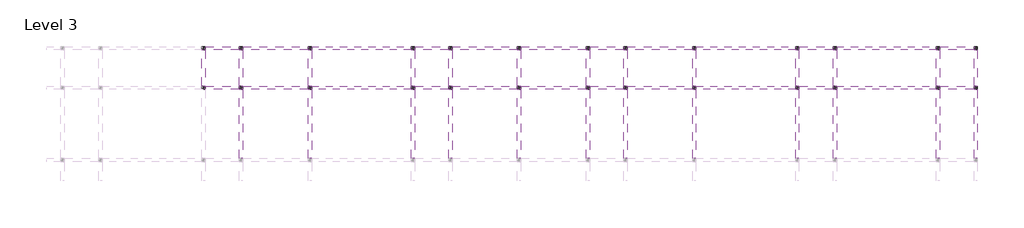
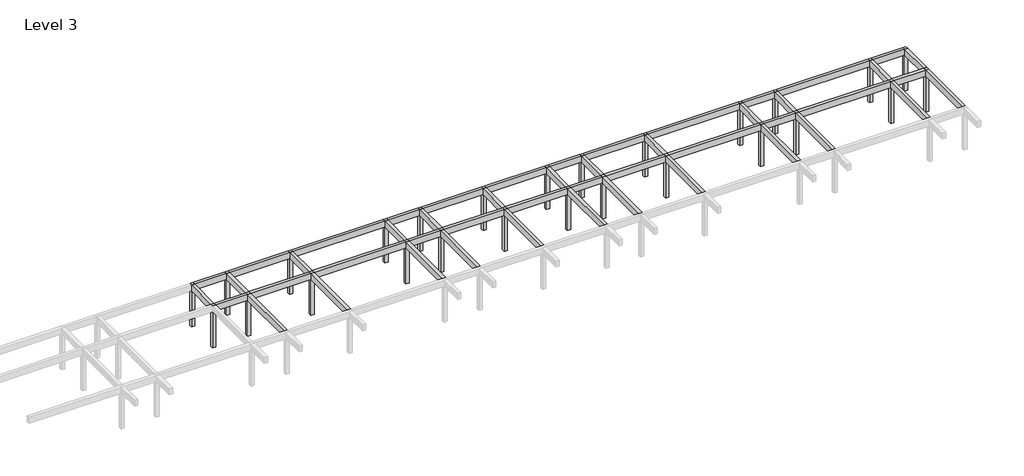
# One storey, part 3 of 3: 49 beams, 26 columns.
"""IFC4 building model written with IfcOpenShell, lengths in millimetres."""

import ifcopenshell
import ifcopenshell.guid

model = None  # the IFC model being written
_history = None  # IfcOwnerHistory: only IFC2X3 demands one
_inside = {}  # id of a spatial element -> (the spatial element, [elements in it])
_under = {}  # id of a project, library or spatial element -> (it, [spatial elements below it])
_declared = {}  # id of a project -> (the project, [libraries it declares])
_typed = {}  # id of a type object -> (the type object, [elements of that type])
_made_of = {}  # id of a material, layer set ... -> (it, [elements and type objects made of it])


def new_model(schema):
    """Start an empty IFC model of exactly this schema.

    Asked for "IFC4X3", IfcOpenShell would pick the latest addendum, in which some entities
    have other attributes; the version numbers below select the first issue.
    IFC2X3 requires an IfcOwnerHistory on every rooted entity: one is made here for all.
    """
    global model, _history
    if schema == "IFC4X3":
        model = ifcopenshell.file(schema_version=(4, 3, 0, 0))
    else:
        model = ifcopenshell.file(schema=schema)
    _inside.clear()
    _under.clear()
    _declared.clear()
    _typed.clear()
    _made_of.clear()
    _history = None
    if model.schema == "IFC2X3":
        org = make("IfcOrganization", Name="unknown")
        user = make(
            "IfcPersonAndOrganization",
            ThePerson=make("IfcPerson", FamilyName="unknown"),
            TheOrganization=org,
        )
        app = make(
            "IfcApplication",
            ApplicationDeveloper=org,
            Version="unknown",
            ApplicationFullName="unknown",
            ApplicationIdentifier="unknown",
        )
        _history = make(
            "IfcOwnerHistory",
            OwningUser=user,
            OwningApplication=app,
            ChangeAction="ADDED",
            CreationDate=0,
        )
    return model


def make(cls, **values):
    """One entity of the class cls with the attributes given. An attribute that is None is left unset."""
    return model.create_entity(
        cls, **{name: value for name, value in values.items() if value is not None}
    )


def rooted(cls, **values):
    """An entity with a GlobalId (a new one), such as an element, a storey or a relation."""
    return make(cls, GlobalId=ifcopenshell.guid.new(), OwnerHistory=_history, **values)


def si_unit(unit_type, name, prefix=None):
    """IfcSIUnit, for example si_unit("LENGTHUNIT", "METRE", prefix="MILLI")."""
    return make("IfcSIUnit", UnitType=unit_type, Prefix=prefix, Name=name)


def assignment(units):
    """IfcUnitAssignment: the units of a project."""
    return None if units is None else make("IfcUnitAssignment", Units=units)


def point(xyz):
    """IfcCartesianPoint."""
    return None if xyz is None else make("IfcCartesianPoint", Coordinates=xyz)


def direction(xyz):
    """IfcDirection."""
    return None if xyz is None else make("IfcDirection", DirectionRatios=xyz)


def frame(location, z_axis=None, x_axis=None):
    """IfcAxis2Placement3D, a coordinate frame: its origin and axes. An axis left out is left unset."""
    return make(
        "IfcAxis2Placement3D",
        Location=point(location),
        Axis=direction(z_axis),
        RefDirection=direction(x_axis),
    )


def origin():
    """The frame at (0, 0, 0) with its axes left unset."""
    return frame((0.0, 0.0, 0.0))


def place(relative_to, where):
    """IfcLocalPlacement: puts the frame where relative to a parent placement (None: the world)."""
    return make(
        "IfcLocalPlacement", PlacementRelTo=relative_to, RelativePlacement=where
    )


def context(
    kind, dimensions, precision=None, world=None, true_north=None, identifier=None
):
    """IfcGeometricRepresentationContext, for example the 3D "Model" context."""
    return make(
        "IfcGeometricRepresentationContext",
        ContextIdentifier=identifier,
        ContextType=kind,
        CoordinateSpaceDimension=dimensions,
        Precision=precision,
        WorldCoordinateSystem=world,
        TrueNorth=true_north,
    )


def project(units=None, contexts=None):
    """IfcProject with its units and contexts."""
    return rooted(
        "IfcProject",
        Name="project",
        RepresentationContexts=contexts,
        UnitsInContext=assignment(units),
    )


def spatial(cls, under=None, at=None, **own):
    """A site, building, storey or space (cls), placed at a placement, below another one or the project."""
    s = rooted(cls, ObjectPlacement=at, **own)
    if under is not None:
        _under.setdefault(under.id(), (under, []))[1].append(s)
    return s


def polyline(points):
    """IfcPolyline through the points."""
    return make("IfcPolyline", Points=[point(p) for p in points])


def outline(outer, holes=None, kind="AREA"):
    """IfcArbitraryClosedProfileDef: a profile drawn as a closed curve; with holes, ...WithVoids."""
    if holes is None:
        return make("IfcArbitraryClosedProfileDef", ProfileType=kind, OuterCurve=outer)
    return make(
        "IfcArbitraryProfileDefWithVoids",
        ProfileType=kind,
        OuterCurve=outer,
        InnerCurves=holes,
    )


def extrude(swept, where, along, depth):
    """IfcExtrudedAreaSolid: the profile swept, set in the frame where, extruded along a direction by depth."""
    return make(
        "IfcExtrudedAreaSolid",
        SweptArea=swept,
        Position=where,
        ExtrudedDirection=direction(along),
        Depth=depth,
    )


def shape(context_of_items, identifier, shape_type, items):
    """IfcShapeRepresentation: the items that make up one representation, for example the "Body"."""
    return make(
        "IfcShapeRepresentation",
        ContextOfItems=context_of_items,
        RepresentationIdentifier=identifier,
        RepresentationType=shape_type,
        Items=items,
    )


def made_of(thing, what):
    """Note that an element or type object is made of a material, layer set ...; save() writes the relation."""
    if what is not None:
        _made_of.setdefault(what.id(), (what, []))[1].append(thing)
    return thing


def element(
    cls,
    number,
    at=None,
    inside=None,
    cuts=None,
    type_object=None,
    material=None,
    context=None,
    identifier="Body",
    shape_type=None,
    held_by="IfcProductDefinitionShape",
    body=None,
    shapes=None,
    **own,
):
    """One element of the class cls, such as IfcWall. Its Tag is "e" and its number.

    at: its placement. inside: the storey or other place that contains it. cuts: it is an
    opening in that element (IfcRelVoidsElement). A single representation is given by context,
    identifier, shape_type and body (its items); several are given by shapes. held_by: the class
    of the entity that holds the representations. save() writes the other relations.
    """
    e = rooted(cls, Tag="e%d" % number, ObjectPlacement=at, **own)
    if body is not None:
        shapes = [shape(context, identifier, shape_type, body)]
    if shapes is not None:
        e.Representation = make(held_by, Representations=shapes)
    if inside is not None:
        _inside.setdefault(inside.id(), (inside, []))[1].append(e)
    if cuts is not None:
        rooted(
            "IfcRelVoidsElement", RelatingBuildingElement=cuts, RelatedOpeningElement=e
        )
    if type_object is not None:
        _typed.setdefault(type_object.id(), (type_object, []))[1].append(e)
    return made_of(e, material)


def aggregate(whole, parts):
    """IfcRelAggregates: a whole, such as a stair, and the parts it consists of."""
    return rooted("IfcRelAggregates", RelatingObject=whole, RelatedObjects=parts)


def save(model, path):
    """Write the relations noted so far, then the file.

    IfcRelAggregates (storeys below a building ...), IfcRelContainedInSpatialStructure (elements
    in a storey), IfcRelDefinesByType, IfcRelAssociatesMaterial and IfcRelDeclares: one each for
    every whole, place, type object, material and project.
    """
    for whole, parts in _under.values():
        aggregate(whole, parts)
    for where, things in _inside.values():
        rooted(
            "IfcRelContainedInSpatialStructure",
            RelatedElements=things,
            RelatingStructure=where,
        )
    for kind, things in _typed.values():
        rooted("IfcRelDefinesByType", RelatedObjects=things, RelatingType=kind)
    for what, things in _made_of.values():
        rooted("IfcRelAssociatesMaterial", RelatedObjects=things, RelatingMaterial=what)
    for by, libraries in _declared.values():
        rooted("IfcRelDeclares", RelatingContext=by, RelatedDefinitions=libraries)
    model.write(path)


model = new_model("IFC4")

# Units and contexts
model_context = context("Model", 3, world=origin())
ifc_project = project(units=[si_unit("LENGTHUNIT", "METRE", prefix="MILLI")], contexts=[model_context])

# Site, building, storey
site = spatial("IfcSite", under=ifc_project)
building = spatial("IfcBuilding", under=site)
storey = spatial("IfcBuildingStorey", under=building, Name="Level 3", Elevation=8400.0)

# Beams
placement = place(None, origin())
element("IfcBeam", 1, ObjectType="M_Concrete-Rectangular Beam : 300 x 600mm", at=placement, inside=storey, context=model_context, shape_type="SweptSolid", body=[
    extrude(outline(polyline([(4295.953533, 9324.2507663), (4595.953533, 9324.2507663), (4595.953533, 6174.2507663), (4295.953533, 6174.2507663), (4295.953533, 9324.2507663)])), frame((0.0, 0.0, 12000.0), z_axis=(0.0, 0.0, 1.0), x_axis=(1.0, 0.0, 0.0)), (0.0, 0.0, 1.0), 600.0),
])
element("IfcBeam", 2, ObjectType="M_Concrete-Rectangular Beam : 300 x 600mm", at=placement, inside=storey, context=model_context, shape_type="SweptSolid", body=[
    extrude(outline(polyline([(7595.953533, 5874.2507663), (7895.953533, 5874.2507663), (7895.953533, -125.7492337), (7595.953533, -125.7492337), (7595.953533, 5874.2507663)])), frame((0.0, 0.0, 12000.0), z_axis=(0.0, 0.0, 1.0), x_axis=(1.0, 0.0, 0.0)), (0.0, 0.0, 1.0), 600.0),
])
element("IfcBeam", 3, ObjectType="M_Concrete-Rectangular Beam : 300 x 600mm", at=placement, inside=storey, context=model_context, shape_type="SweptSolid", body=[
    extrude(outline(polyline([(7595.953533, 9324.2507663), (7895.953533, 9324.2507663), (7895.953533, 6174.2507663), (7595.953533, 6174.2507663), (7595.953533, 9324.2507663)])), frame((0.0, 0.0, 12000.0), z_axis=(0.0, 0.0, 1.0), x_axis=(1.0, 0.0, 0.0)), (0.0, 0.0, 1.0), 600.0),
])
element("IfcBeam", 4, ObjectType="M_Concrete-Rectangular Beam : 300 x 600mm", at=placement, inside=storey, context=model_context, shape_type="SweptSolid", body=[
    extrude(outline(polyline([(13595.953533, 5874.2507663), (13895.953533, 5874.2507663), (13895.953533, -125.7492337), (13595.953533, -125.7492337), (13595.953533, 5874.2507663)])), frame((0.0, 0.0, 12000.0), z_axis=(0.0, 0.0, 1.0), x_axis=(1.0, 0.0, 0.0)), (0.0, 0.0, 1.0), 600.0),
])
element("IfcBeam", 5, ObjectType="M_Concrete-Rectangular Beam : 300 x 600mm", at=placement, inside=storey, context=model_context, shape_type="SweptSolid", body=[
    extrude(outline(polyline([(13595.953533, 9324.2507663), (13895.953533, 9324.2507663), (13895.953533, 6174.2507663), (13595.953533, 6174.2507663), (13595.953533, 9324.2507663)])), frame((0.0, 0.0, 12000.0), z_axis=(0.0, 0.0, 1.0), x_axis=(1.0, 0.0, 0.0)), (0.0, 0.0, 1.0), 600.0),
])
element("IfcBeam", 6, ObjectType="M_Concrete-Rectangular Beam : 300 x 600mm", at=placement, inside=storey, context=model_context, shape_type="SweptSolid", body=[
    extrude(outline(polyline([(25895.953533, 5874.2507663), (26195.953533, 5874.2507663), (26195.953533, -125.7492337), (25895.953533, -125.7492337), (25895.953533, 5874.2507663)])), frame((0.0, 0.0, 12000.0), z_axis=(0.0, 0.0, 1.0), x_axis=(1.0, 0.0, 0.0)), (0.0, 0.0, 1.0), 600.0),
])
element("IfcBeam", 7, ObjectType="M_Concrete-Rectangular Beam : 300 x 600mm", at=placement, inside=storey, context=model_context, shape_type="SweptSolid", body=[
    extrude(outline(polyline([(25895.953533, 9324.2507663), (26195.953533, 9324.2507663), (26195.953533, 6174.2507663), (25895.953533, 6174.2507663), (25895.953533, 9324.2507663)])), frame((0.0, 0.0, 12000.0), z_axis=(0.0, 0.0, 1.0), x_axis=(1.0, 0.0, 0.0)), (0.0, 0.0, 1.0), 600.0),
])
element("IfcBeam", 8, ObjectType="M_Concrete-Rectangular Beam : 300 x 600mm", at=placement, inside=storey, context=model_context, shape_type="SweptSolid", body=[
    extrude(outline(polyline([(22595.953533, 5874.2507663), (22895.953533, 5874.2507663), (22895.953533, -125.7492337), (22595.953533, -125.7492337), (22595.953533, 5874.2507663)])), frame((0.0, 0.0, 12000.0), z_axis=(0.0, 0.0, 1.0), x_axis=(1.0, 0.0, 0.0)), (0.0, 0.0, 1.0), 600.0),
])
element("IfcBeam", 9, ObjectType="M_Concrete-Rectangular Beam : 300 x 600mm", at=placement, inside=storey, context=model_context, shape_type="SweptSolid", body=[
    extrude(outline(polyline([(22595.953533, 9324.2507663), (22895.953533, 9324.2507663), (22895.953533, 6174.2507663), (22595.953533, 6174.2507663), (22595.953533, 9324.2507663)])), frame((0.0, 0.0, 12000.0), z_axis=(0.0, 0.0, 1.0), x_axis=(1.0, 0.0, 0.0)), (0.0, 0.0, 1.0), 600.0),
])
element("IfcBeam", 10, ObjectType="M_Concrete-Rectangular Beam : 300 x 600mm", at=placement, inside=storey, context=model_context, shape_type="SweptSolid", body=[
    extrude(outline(polyline([(31895.953533, 5874.2507663), (32195.953533, 5874.2507663), (32195.953533, -125.7492337), (31895.953533, -125.7492337), (31895.953533, 5874.2507663)])), frame((0.0, 0.0, 12000.0), z_axis=(0.0, 0.0, 1.0), x_axis=(1.0, 0.0, 0.0)), (0.0, 0.0, 1.0), 600.0),
])
element("IfcBeam", 11, ObjectType="M_Concrete-Rectangular Beam : 300 x 600mm", at=placement, inside=storey, context=model_context, shape_type="SweptSolid", body=[
    extrude(outline(polyline([(31895.953533, 9324.2507663), (32195.953533, 9324.2507663), (32195.953533, 6174.2507663), (31895.953533, 6174.2507663), (31895.953533, 9324.2507663)])), frame((0.0, 0.0, 12000.0), z_axis=(0.0, 0.0, 1.0), x_axis=(1.0, 0.0, 0.0)), (0.0, 0.0, 1.0), 600.0),
])
element("IfcBeam", 12, ObjectType="M_Concrete-Rectangular Beam : 300 x 600mm", at=placement, inside=storey, context=model_context, shape_type="SweptSolid", body=[
    extrude(outline(polyline([(37895.953533, 5874.2507663), (38195.953533, 5874.2507663), (38195.953533, -125.7492337), (37895.953533, -125.7492337), (37895.953533, 5874.2507663)])), frame((0.0, 0.0, 12000.0), z_axis=(0.0, 0.0, 1.0), x_axis=(1.0, 0.0, 0.0)), (0.0, 0.0, 1.0), 600.0),
])
element("IfcBeam", 13, ObjectType="M_Concrete-Rectangular Beam : 300 x 600mm", at=placement, inside=storey, context=model_context, shape_type="SweptSolid", body=[
    extrude(outline(polyline([(37895.953533, 9324.2507663), (38195.953533, 9324.2507663), (38195.953533, 6174.2507663), (37895.953533, 6174.2507663), (37895.953533, 9324.2507663)])), frame((0.0, 0.0, 12000.0), z_axis=(0.0, 0.0, 1.0), x_axis=(1.0, 0.0, 0.0)), (0.0, 0.0, 1.0), 600.0),
])
element("IfcBeam", 14, ObjectType="M_Concrete-Rectangular Beam : 300 x 600mm", at=placement, inside=storey, context=model_context, shape_type="SweptSolid", body=[
    extrude(outline(polyline([(41195.953533, 5874.2507663), (41495.953533, 5874.2507663), (41495.953533, -125.7492337), (41195.953533, -125.7492337), (41195.953533, 5874.2507663)])), frame((0.0, 0.0, 12000.0), z_axis=(0.0, 0.0, 1.0), x_axis=(1.0, 0.0, 0.0)), (0.0, 0.0, 1.0), 600.0),
])
element("IfcBeam", 15, ObjectType="M_Concrete-Rectangular Beam : 300 x 600mm", at=placement, inside=storey, context=model_context, shape_type="SweptSolid", body=[
    extrude(outline(polyline([(41195.953533, 9324.2507663), (41495.953533, 9324.2507663), (41495.953533, 6174.2507663), (41195.953533, 6174.2507663), (41195.953533, 9324.2507663)])), frame((0.0, 0.0, 12000.0), z_axis=(0.0, 0.0, 1.0), x_axis=(1.0, 0.0, 0.0)), (0.0, 0.0, 1.0), 600.0),
])
element("IfcBeam", 16, ObjectType="M_Concrete-Rectangular Beam : 300 x 600mm", at=placement, inside=storey, context=model_context, shape_type="SweptSolid", body=[
    extrude(outline(polyline([(47195.953533, 5874.2507663), (47495.953533, 5874.2507663), (47495.953533, -125.7492337), (47195.953533, -125.7492337), (47195.953533, 5874.2507663)])), frame((0.0, 0.0, 12000.0), z_axis=(0.0, 0.0, 1.0), x_axis=(1.0, 0.0, 0.0)), (0.0, 0.0, 1.0), 600.0),
])
element("IfcBeam", 17, ObjectType="M_Concrete-Rectangular Beam : 300 x 600mm", at=placement, inside=storey, context=model_context, shape_type="SweptSolid", body=[
    extrude(outline(polyline([(47195.953533, 9324.2507663), (47495.953533, 9324.2507663), (47495.953533, 6174.2507663), (47195.953533, 6174.2507663), (47195.953533, 9324.2507663)])), frame((0.0, 0.0, 12000.0), z_axis=(0.0, 0.0, 1.0), x_axis=(1.0, 0.0, 0.0)), (0.0, 0.0, 1.0), 600.0),
])
element("IfcBeam", 18, ObjectType="M_Concrete-Rectangular Beam : 300 x 600mm", at=placement, inside=storey, context=model_context, shape_type="SweptSolid", body=[
    extrude(outline(polyline([(56195.953533, 5874.2507663), (56495.953533, 5874.2507663), (56495.953533, -125.7492337), (56195.953533, -125.7492337), (56195.953533, 5874.2507663)])), frame((0.0, 0.0, 12000.0), z_axis=(0.0, 0.0, 1.0), x_axis=(1.0, 0.0, 0.0)), (0.0, 0.0, 1.0), 600.0),
])
element("IfcBeam", 19, ObjectType="M_Concrete-Rectangular Beam : 300 x 600mm", at=placement, inside=storey, context=model_context, shape_type="SweptSolid", body=[
    extrude(outline(polyline([(56195.953533, 9324.2507663), (56495.953533, 9324.2507663), (56495.953533, 6174.2507663), (56195.953533, 6174.2507663), (56195.953533, 9324.2507663)])), frame((0.0, 0.0, 12000.0), z_axis=(0.0, 0.0, 1.0), x_axis=(1.0, 0.0, 0.0)), (0.0, 0.0, 1.0), 600.0),
])
element("IfcBeam", 20, ObjectType="M_Concrete-Rectangular Beam : 300 x 600mm", at=placement, inside=storey, context=model_context, shape_type="SweptSolid", body=[
    extrude(outline(polyline([(59495.953533, 5874.2507663), (59795.953533, 5874.2507663), (59795.953533, -125.7492337), (59495.953533, -125.7492337), (59495.953533, 5874.2507663)])), frame((0.0, 0.0, 12000.0), z_axis=(0.0, 0.0, 1.0), x_axis=(1.0, 0.0, 0.0)), (0.0, 0.0, 1.0), 600.0),
])
element("IfcBeam", 21, ObjectType="M_Concrete-Rectangular Beam : 300 x 600mm", at=placement, inside=storey, context=model_context, shape_type="SweptSolid", body=[
    extrude(outline(polyline([(59495.953533, 9324.2507663), (59795.953533, 9324.2507663), (59795.953533, 6174.2507663), (59495.953533, 6174.2507663), (59495.953533, 9324.2507663)])), frame((0.0, 0.0, 12000.0), z_axis=(0.0, 0.0, 1.0), x_axis=(1.0, 0.0, 0.0)), (0.0, 0.0, 1.0), 600.0),
])
element("IfcBeam", 22, ObjectType="M_Concrete-Rectangular Beam : 300 x 600mm", at=placement, inside=storey, context=model_context, shape_type="SweptSolid", body=[
    extrude(outline(polyline([(68495.953533, 5874.2507663), (68795.953533, 5874.2507663), (68795.953533, -125.7492337), (68495.953533, -125.7492337), (68495.953533, 5874.2507663)])), frame((0.0, 0.0, 12000.0), z_axis=(0.0, 0.0, 1.0), x_axis=(1.0, 0.0, 0.0)), (0.0, 0.0, 1.0), 600.0),
])
element("IfcBeam", 23, ObjectType="M_Concrete-Rectangular Beam : 300 x 600mm", at=placement, inside=storey, context=model_context, shape_type="SweptSolid", body=[
    extrude(outline(polyline([(68495.953533, 9324.2507663), (68795.953533, 9324.2507663), (68795.953533, 6174.2507663), (68495.953533, 6174.2507663), (68495.953533, 9324.2507663)])), frame((0.0, 0.0, 12000.0), z_axis=(0.0, 0.0, 1.0), x_axis=(1.0, 0.0, 0.0)), (0.0, 0.0, 1.0), 600.0),
])
element("IfcBeam", 24, ObjectType="M_Concrete-Rectangular Beam : 300 x 600mm", at=placement, inside=storey, context=model_context, shape_type="SweptSolid", body=[
    extrude(outline(polyline([(71795.953533, 5874.2507663), (72095.953533, 5874.2507663), (72095.953533, -125.7492337), (71795.953533, -125.7492337), (71795.953533, 5874.2507663)])), frame((0.0, 0.0, 12000.0), z_axis=(0.0, 0.0, 1.0), x_axis=(1.0, 0.0, 0.0)), (0.0, 0.0, 1.0), 600.0),
])
element("IfcBeam", 25, ObjectType="M_Concrete-Rectangular Beam : 300 x 600mm", at=placement, inside=storey, context=model_context, shape_type="SweptSolid", body=[
    extrude(outline(polyline([(71795.953533, 9324.2507663), (72095.953533, 9324.2507663), (72095.953533, 6174.2507663), (71795.953533, 6174.2507663), (71795.953533, 9324.2507663)])), frame((0.0, 0.0, 12000.0), z_axis=(0.0, 0.0, 1.0), x_axis=(1.0, 0.0, 0.0)), (0.0, 0.0, 1.0), 600.0),
])
element("IfcBeam", 26, ObjectType="M_Concrete-Rectangular Beam : 300 x 600mm", at=placement, inside=storey, context=model_context, shape_type="SweptSolid", body=[
    extrude(outline(polyline([(4595.953533, 9324.2507663), (4595.953533, 9624.2507663), (7595.953533, 9624.2507663), (7595.953533, 9324.2507663), (4595.953533, 9324.2507663)])), frame((0.0, 0.0, 12000.0), z_axis=(0.0, 0.0, 1.0), x_axis=(1.0, 0.0, 0.0)), (0.0, 0.0, 1.0), 600.0),
])
element("IfcBeam", 27, ObjectType="M_Concrete-Rectangular Beam : 300 x 600mm", at=placement, inside=storey, context=model_context, shape_type="SweptSolid", body=[
    extrude(outline(polyline([(7895.953533, 9324.2507663), (7895.953533, 9624.2507663), (13595.953533, 9624.2507663), (13595.953533, 9324.2507663), (7895.953533, 9324.2507663)])), frame((0.0, 0.0, 12000.0), z_axis=(0.0, 0.0, 1.0), x_axis=(1.0, 0.0, 0.0)), (0.0, 0.0, 1.0), 600.0),
])
element("IfcBeam", 28, ObjectType="M_Concrete-Rectangular Beam : 300 x 600mm", at=placement, inside=storey, context=model_context, shape_type="SweptSolid", body=[
    extrude(outline(polyline([(13895.953533, 9324.2507663), (13895.953533, 9624.2507663), (22595.953533, 9624.2507663), (22595.953533, 9324.2507663), (13895.953533, 9324.2507663)])), frame((0.0, 0.0, 12000.0), z_axis=(0.0, 0.0, 1.0), x_axis=(1.0, 0.0, 0.0)), (0.0, 0.0, 1.0), 600.0),
])
element("IfcBeam", 29, ObjectType="M_Concrete-Rectangular Beam : 300 x 600mm", at=placement, inside=storey, context=model_context, shape_type="SweptSolid", body=[
    extrude(outline(polyline([(25895.953533, 9624.2507663), (25895.953533, 9324.2507663), (22895.953533, 9324.2507663), (22895.953533, 9624.2507663), (25895.953533, 9624.2507663)])), frame((0.0, 0.0, 12000.0), z_axis=(0.0, 0.0, 1.0), x_axis=(1.0, 0.0, 0.0)), (0.0, 0.0, 1.0), 600.0),
])
element("IfcBeam", 30, ObjectType="M_Concrete-Rectangular Beam : 300 x 600mm", at=placement, inside=storey, context=model_context, shape_type="SweptSolid", body=[
    extrude(outline(polyline([(26195.953533, 9324.2507663), (26195.953533, 9624.2507663), (31895.953533, 9624.2507663), (31895.953533, 9324.2507663), (26195.953533, 9324.2507663)])), frame((0.0, 0.0, 12000.0), z_axis=(0.0, 0.0, 1.0), x_axis=(1.0, 0.0, 0.0)), (0.0, 0.0, 1.0), 600.0),
])
element("IfcBeam", 31, ObjectType="M_Concrete-Rectangular Beam : 300 x 600mm", at=placement, inside=storey, context=model_context, shape_type="SweptSolid", body=[
    extrude(outline(polyline([(32195.953533, 9324.2507663), (32195.953533, 9624.2507663), (37895.953533, 9624.2507663), (37895.953533, 9324.2507663), (32195.953533, 9324.2507663)])), frame((0.0, 0.0, 12000.0), z_axis=(0.0, 0.0, 1.0), x_axis=(1.0, 0.0, 0.0)), (0.0, 0.0, 1.0), 600.0),
])
element("IfcBeam", 32, ObjectType="M_Concrete-Rectangular Beam : 300 x 600mm", at=placement, inside=storey, context=model_context, shape_type="SweptSolid", body=[
    extrude(outline(polyline([(38195.953533, 9324.2507663), (38195.953533, 9624.2507663), (41195.953533, 9624.2507663), (41195.953533, 9324.2507663), (38195.953533, 9324.2507663)])), frame((0.0, 0.0, 12000.0), z_axis=(0.0, 0.0, 1.0), x_axis=(1.0, 0.0, 0.0)), (0.0, 0.0, 1.0), 600.0),
])
element("IfcBeam", 33, ObjectType="M_Concrete-Rectangular Beam : 300 x 600mm", at=placement, inside=storey, context=model_context, shape_type="SweptSolid", body=[
    extrude(outline(polyline([(41495.953533, 9324.2507663), (41495.953533, 9624.2507663), (47195.953533, 9624.2507663), (47195.953533, 9324.2507663), (41495.953533, 9324.2507663)])), frame((0.0, 0.0, 12000.0), z_axis=(0.0, 0.0, 1.0), x_axis=(1.0, 0.0, 0.0)), (0.0, 0.0, 1.0), 600.0),
])
element("IfcBeam", 34, ObjectType="M_Concrete-Rectangular Beam : 300 x 600mm", at=placement, inside=storey, context=model_context, shape_type="SweptSolid", body=[
    extrude(outline(polyline([(47495.953533, 9324.2507663), (47495.953533, 9624.2507663), (56195.953533, 9624.2507663), (56195.953533, 9324.2507663), (47495.953533, 9324.2507663)])), frame((0.0, 0.0, 12000.0), z_axis=(0.0, 0.0, 1.0), x_axis=(1.0, 0.0, 0.0)), (0.0, 0.0, 1.0), 600.0),
])
element("IfcBeam", 35, ObjectType="M_Concrete-Rectangular Beam : 300 x 600mm", at=placement, inside=storey, context=model_context, shape_type="SweptSolid", body=[
    extrude(outline(polyline([(56495.953533, 9324.2507663), (56495.953533, 9624.2507663), (59495.953533, 9624.2507663), (59495.953533, 9324.2507663), (56495.953533, 9324.2507663)])), frame((0.0, 0.0, 12000.0), z_axis=(0.0, 0.0, 1.0), x_axis=(1.0, 0.0, 0.0)), (0.0, 0.0, 1.0), 600.0),
])
element("IfcBeam", 36, ObjectType="M_Concrete-Rectangular Beam : 300 x 600mm", at=placement, inside=storey, context=model_context, shape_type="SweptSolid", body=[
    extrude(outline(polyline([(59795.953533, 9324.2507663), (59795.953533, 9624.2507663), (68495.953533, 9624.2507663), (68495.953533, 9324.2507663), (59795.953533, 9324.2507663)])), frame((0.0, 0.0, 12000.0), z_axis=(0.0, 0.0, 1.0), x_axis=(1.0, 0.0, 0.0)), (0.0, 0.0, 1.0), 600.0),
])
element("IfcBeam", 37, ObjectType="M_Concrete-Rectangular Beam : 300 x 600mm", at=placement, inside=storey, context=model_context, shape_type="SweptSolid", body=[
    extrude(outline(polyline([(68795.953533, 9324.2507663), (68795.953533, 9624.2507663), (71795.953533, 9624.2507663), (71795.953533, 9324.2507663), (68795.953533, 9324.2507663)])), frame((0.0, 0.0, 12000.0), z_axis=(0.0, 0.0, 1.0), x_axis=(1.0, 0.0, 0.0)), (0.0, 0.0, 1.0), 600.0),
])
element("IfcBeam", 38, ObjectType="M_Concrete-Rectangular Beam : 300 x 600mm", at=placement, inside=storey, context=model_context, shape_type="SweptSolid", body=[
    extrude(outline(polyline([(4595.953533, 5874.2507663), (4595.953533, 6174.2507663), (7595.953533, 6174.2507663), (7595.953533, 5874.2507663), (4595.953533, 5874.2507663)])), frame((0.0, 0.0, 12000.0), z_axis=(0.0, 0.0, 1.0), x_axis=(1.0, 0.0, 0.0)), (0.0, 0.0, 1.0), 600.0),
])
element("IfcBeam", 39, ObjectType="M_Concrete-Rectangular Beam : 300 x 600mm", at=placement, inside=storey, context=model_context, shape_type="SweptSolid", body=[
    extrude(outline(polyline([(7895.953533, 5874.2507663), (7895.953533, 6174.2507663), (13595.953533, 6174.2507663), (13595.953533, 5874.2507663), (7895.953533, 5874.2507663)])), frame((0.0, 0.0, 12000.0), z_axis=(0.0, 0.0, 1.0), x_axis=(1.0, 0.0, 0.0)), (0.0, 0.0, 1.0), 600.0),
])
element("IfcBeam", 40, ObjectType="M_Concrete-Rectangular Beam : 300 x 600mm", at=placement, inside=storey, context=model_context, shape_type="SweptSolid", body=[
    extrude(outline(polyline([(13895.953533, 5874.2507663), (13895.953533, 6174.2507663), (22595.953533, 6174.2507663), (22595.953533, 5874.2507663), (13895.953533, 5874.2507663)])), frame((0.0, 0.0, 12000.0), z_axis=(0.0, 0.0, 1.0), x_axis=(1.0, 0.0, 0.0)), (0.0, 0.0, 1.0), 600.0),
])
element("IfcBeam", 41, ObjectType="M_Concrete-Rectangular Beam : 300 x 600mm", at=placement, inside=storey, context=model_context, shape_type="SweptSolid", body=[
    extrude(outline(polyline([(25895.953533, 6174.2507663), (25895.953533, 5874.2507663), (22895.953533, 5874.2507663), (22895.953533, 6174.2507663), (25895.953533, 6174.2507663)])), frame((0.0, 0.0, 12000.0), z_axis=(0.0, 0.0, 1.0), x_axis=(1.0, 0.0, 0.0)), (0.0, 0.0, 1.0), 600.0),
])
element("IfcBeam", 42, ObjectType="M_Concrete-Rectangular Beam : 300 x 600mm", at=placement, inside=storey, context=model_context, shape_type="SweptSolid", body=[
    extrude(outline(polyline([(26195.953533, 5874.2507663), (26195.953533, 6174.2507663), (31895.953533, 6174.2507663), (31895.953533, 5874.2507663), (26195.953533, 5874.2507663)])), frame((0.0, 0.0, 12000.0), z_axis=(0.0, 0.0, 1.0), x_axis=(1.0, 0.0, 0.0)), (0.0, 0.0, 1.0), 600.0),
])
element("IfcBeam", 43, ObjectType="M_Concrete-Rectangular Beam : 300 x 600mm", at=placement, inside=storey, context=model_context, shape_type="SweptSolid", body=[
    extrude(outline(polyline([(32195.953533, 5874.2507663), (32195.953533, 6174.2507663), (37895.953533, 6174.2507663), (37895.953533, 5874.2507663), (32195.953533, 5874.2507663)])), frame((0.0, 0.0, 12000.0), z_axis=(0.0, 0.0, 1.0), x_axis=(1.0, 0.0, 0.0)), (0.0, 0.0, 1.0), 600.0),
])
element("IfcBeam", 44, ObjectType="M_Concrete-Rectangular Beam : 300 x 600mm", at=placement, inside=storey, context=model_context, shape_type="SweptSolid", body=[
    extrude(outline(polyline([(38195.953533, 5874.2507663), (38195.953533, 6174.2507663), (41195.953533, 6174.2507663), (41195.953533, 5874.2507663), (38195.953533, 5874.2507663)])), frame((0.0, 0.0, 12000.0), z_axis=(0.0, 0.0, 1.0), x_axis=(1.0, 0.0, 0.0)), (0.0, 0.0, 1.0), 600.0),
])
element("IfcBeam", 45, ObjectType="M_Concrete-Rectangular Beam : 300 x 600mm", at=placement, inside=storey, context=model_context, shape_type="SweptSolid", body=[
    extrude(outline(polyline([(41495.953533, 5874.2507663), (41495.953533, 6174.2507663), (47195.953533, 6174.2507663), (47195.953533, 5874.2507663), (41495.953533, 5874.2507663)])), frame((0.0, 0.0, 12000.0), z_axis=(0.0, 0.0, 1.0), x_axis=(1.0, 0.0, 0.0)), (0.0, 0.0, 1.0), 600.0),
])
element("IfcBeam", 46, ObjectType="M_Concrete-Rectangular Beam : 300 x 600mm", at=placement, inside=storey, context=model_context, shape_type="SweptSolid", body=[
    extrude(outline(polyline([(47495.953533, 5874.2507663), (47495.953533, 6174.2507663), (56195.953533, 6174.2507663), (56195.953533, 5874.2507663), (47495.953533, 5874.2507663)])), frame((0.0, 0.0, 12000.0), z_axis=(0.0, 0.0, 1.0), x_axis=(1.0, 0.0, 0.0)), (0.0, 0.0, 1.0), 600.0),
])
element("IfcBeam", 47, ObjectType="M_Concrete-Rectangular Beam : 300 x 600mm", at=placement, inside=storey, context=model_context, shape_type="SweptSolid", body=[
    extrude(outline(polyline([(56495.953533, 5874.2507663), (56495.953533, 6174.2507663), (59495.953533, 6174.2507663), (59495.953533, 5874.2507663), (56495.953533, 5874.2507663)])), frame((0.0, 0.0, 12000.0), z_axis=(0.0, 0.0, 1.0), x_axis=(1.0, 0.0, 0.0)), (0.0, 0.0, 1.0), 600.0),
])
element("IfcBeam", 48, ObjectType="M_Concrete-Rectangular Beam : 300 x 600mm", at=placement, inside=storey, context=model_context, shape_type="SweptSolid", body=[
    extrude(outline(polyline([(59795.953533, 5874.2507663), (59795.953533, 6174.2507663), (68495.953533, 6174.2507663), (68495.953533, 5874.2507663), (59795.953533, 5874.2507663)])), frame((0.0, 0.0, 12000.0), z_axis=(0.0, 0.0, 1.0), x_axis=(1.0, 0.0, 0.0)), (0.0, 0.0, 1.0), 600.0),
])
element("IfcBeam", 49, ObjectType="M_Concrete-Rectangular Beam : 300 x 600mm", at=placement, inside=storey, context=model_context, shape_type="SweptSolid", body=[
    extrude(outline(polyline([(68795.953533, 5874.2507663), (68795.953533, 6174.2507663), (71795.953533, 6174.2507663), (71795.953533, 5874.2507663), (68795.953533, 5874.2507663)])), frame((0.0, 0.0, 12000.0), z_axis=(0.0, 0.0, 1.0), x_axis=(1.0, 0.0, 0.0)), (0.0, 0.0, 1.0), 600.0),
])

# Columns
element("IfcColumn", 50, ObjectType="M_Concrete-Square-Column : 300 x 300mm", at=placement, inside=storey, context=model_context, shape_type="SweptSolid", body=[
    extrude(outline(polyline([(4595.953533, 9624.2507663), (4595.953533, 9324.2507663), (4295.953533, 9324.2507663), (4295.953533, 9624.2507663), (4595.953533, 9624.2507663)])), frame((0.0, 0.0, 8400.0), z_axis=(0.0, 0.0, 1.0), x_axis=(1.0, 0.0, 0.0)), (0.0, 0.0, 1.0), 4200.0),
])
element("IfcColumn", 51, ObjectType="M_Concrete-Square-Column : 300 x 300mm", at=placement, inside=storey, context=model_context, shape_type="SweptSolid", body=[
    extrude(outline(polyline([(4595.953533, 6174.2507663), (4595.953533, 5874.2507663), (4295.953533, 5874.2507663), (4295.953533, 6174.2507663), (4595.953533, 6174.2507663)])), frame((0.0, 0.0, 8400.0), z_axis=(0.0, 0.0, 1.0), x_axis=(1.0, 0.0, 0.0)), (0.0, 0.0, 1.0), 4200.0),
])
element("IfcColumn", 52, ObjectType="M_Concrete-Square-Column : 300 x 300mm", at=placement, inside=storey, context=model_context, shape_type="SweptSolid", body=[
    extrude(outline(polyline([(7895.953533, 9624.2507663), (7895.953533, 9324.2507663), (7595.953533, 9324.2507663), (7595.953533, 9624.2507663), (7895.953533, 9624.2507663)])), frame((0.0, 0.0, 8400.0), z_axis=(0.0, 0.0, 1.0), x_axis=(1.0, 0.0, 0.0)), (0.0, 0.0, 1.0), 4200.0),
])
element("IfcColumn", 53, ObjectType="M_Concrete-Square-Column : 300 x 300mm", at=placement, inside=storey, context=model_context, shape_type="SweptSolid", body=[
    extrude(outline(polyline([(7895.953533, 6174.2507663), (7895.953533, 5874.2507663), (7595.953533, 5874.2507663), (7595.953533, 6174.2507663), (7895.953533, 6174.2507663)])), frame((0.0, 0.0, 8400.0), z_axis=(0.0, 0.0, 1.0), x_axis=(1.0, 0.0, 0.0)), (0.0, 0.0, 1.0), 4200.0),
])
element("IfcColumn", 54, ObjectType="M_Concrete-Square-Column : 300 x 300mm", at=placement, inside=storey, context=model_context, shape_type="SweptSolid", body=[
    extrude(outline(polyline([(13895.953533, 9624.2507663), (13895.953533, 9324.2507663), (13595.953533, 9324.2507663), (13595.953533, 9624.2507663), (13895.953533, 9624.2507663)])), frame((0.0, 0.0, 8400.0), z_axis=(0.0, 0.0, 1.0), x_axis=(1.0, 0.0, 0.0)), (0.0, 0.0, 1.0), 4200.0),
])
element("IfcColumn", 55, ObjectType="M_Concrete-Square-Column : 300 x 300mm", at=placement, inside=storey, context=model_context, shape_type="SweptSolid", body=[
    extrude(outline(polyline([(13895.953533, 6174.2507663), (13895.953533, 5874.2507663), (13595.953533, 5874.2507663), (13595.953533, 6174.2507663), (13895.953533, 6174.2507663)])), frame((0.0, 0.0, 8400.0), z_axis=(0.0, 0.0, 1.0), x_axis=(1.0, 0.0, 0.0)), (0.0, 0.0, 1.0), 4200.0),
])
element("IfcColumn", 56, ObjectType="M_Concrete-Square-Column : 300 x 300mm", at=placement, inside=storey, context=model_context, shape_type="SweptSolid", body=[
    extrude(outline(polyline([(26195.953533, 9624.2507663), (26195.953533, 9324.2507663), (25895.953533, 9324.2507663), (25895.953533, 9624.2507663), (26195.953533, 9624.2507663)])), frame((0.0, 0.0, 8400.0), z_axis=(0.0, 0.0, 1.0), x_axis=(1.0, 0.0, 0.0)), (0.0, 0.0, 1.0), 4200.0),
])
element("IfcColumn", 57, ObjectType="M_Concrete-Square-Column : 300 x 300mm", at=placement, inside=storey, context=model_context, shape_type="SweptSolid", body=[
    extrude(outline(polyline([(26195.953533, 6174.2507663), (26195.953533, 5874.2507663), (25895.953533, 5874.2507663), (25895.953533, 6174.2507663), (26195.953533, 6174.2507663)])), frame((0.0, 0.0, 8400.0), z_axis=(0.0, 0.0, 1.0), x_axis=(1.0, 0.0, 0.0)), (0.0, 0.0, 1.0), 4200.0),
])
element("IfcColumn", 58, ObjectType="M_Concrete-Square-Column : 300 x 300mm", at=placement, inside=storey, context=model_context, shape_type="SweptSolid", body=[
    extrude(outline(polyline([(22895.953533, 9624.2507663), (22895.953533, 9324.2507663), (22595.953533, 9324.2507663), (22595.953533, 9624.2507663), (22895.953533, 9624.2507663)])), frame((0.0, 0.0, 8400.0), z_axis=(0.0, 0.0, 1.0), x_axis=(1.0, 0.0, 0.0)), (0.0, 0.0, 1.0), 4200.0),
])
element("IfcColumn", 59, ObjectType="M_Concrete-Square-Column : 300 x 300mm", at=placement, inside=storey, context=model_context, shape_type="SweptSolid", body=[
    extrude(outline(polyline([(22895.953533, 6174.2507663), (22895.953533, 5874.2507663), (22595.953533, 5874.2507663), (22595.953533, 6174.2507663), (22895.953533, 6174.2507663)])), frame((0.0, 0.0, 8400.0), z_axis=(0.0, 0.0, 1.0), x_axis=(1.0, 0.0, 0.0)), (0.0, 0.0, 1.0), 4200.0),
])
element("IfcColumn", 60, ObjectType="M_Concrete-Square-Column : 300 x 300mm", at=placement, inside=storey, context=model_context, shape_type="SweptSolid", body=[
    extrude(outline(polyline([(32195.953533, 9624.2507663), (32195.953533, 9324.2507663), (31895.953533, 9324.2507663), (31895.953533, 9624.2507663), (32195.953533, 9624.2507663)])), frame((0.0, 0.0, 8400.0), z_axis=(0.0, 0.0, 1.0), x_axis=(1.0, 0.0, 0.0)), (0.0, 0.0, 1.0), 4200.0),
])
element("IfcColumn", 61, ObjectType="M_Concrete-Square-Column : 300 x 300mm", at=placement, inside=storey, context=model_context, shape_type="SweptSolid", body=[
    extrude(outline(polyline([(32195.953533, 6174.2507663), (32195.953533, 5874.2507663), (31895.953533, 5874.2507663), (31895.953533, 6174.2507663), (32195.953533, 6174.2507663)])), frame((0.0, 0.0, 8400.0), z_axis=(0.0, 0.0, 1.0), x_axis=(1.0, 0.0, 0.0)), (0.0, 0.0, 1.0), 4200.0),
])
element("IfcColumn", 62, ObjectType="M_Concrete-Square-Column : 300 x 300mm", at=placement, inside=storey, context=model_context, shape_type="SweptSolid", body=[
    extrude(outline(polyline([(38195.953533, 9624.2507663), (38195.953533, 9324.2507663), (37895.953533, 9324.2507663), (37895.953533, 9624.2507663), (38195.953533, 9624.2507663)])), frame((0.0, 0.0, 8400.0), z_axis=(0.0, 0.0, 1.0), x_axis=(1.0, 0.0, 0.0)), (0.0, 0.0, 1.0), 4200.0),
])
element("IfcColumn", 63, ObjectType="M_Concrete-Square-Column : 300 x 300mm", at=placement, inside=storey, context=model_context, shape_type="SweptSolid", body=[
    extrude(outline(polyline([(38195.953533, 6174.2507663), (38195.953533, 5874.2507663), (37895.953533, 5874.2507663), (37895.953533, 6174.2507663), (38195.953533, 6174.2507663)])), frame((0.0, 0.0, 8400.0), z_axis=(0.0, 0.0, 1.0), x_axis=(1.0, 0.0, 0.0)), (0.0, 0.0, 1.0), 4200.0),
])
element("IfcColumn", 64, ObjectType="M_Concrete-Square-Column : 300 x 300mm", at=placement, inside=storey, context=model_context, shape_type="SweptSolid", body=[
    extrude(outline(polyline([(41495.953533, 9624.2507663), (41495.953533, 9324.2507663), (41195.953533, 9324.2507663), (41195.953533, 9624.2507663), (41495.953533, 9624.2507663)])), frame((0.0, 0.0, 8400.0), z_axis=(0.0, 0.0, 1.0), x_axis=(1.0, 0.0, 0.0)), (0.0, 0.0, 1.0), 4200.0),
])
element("IfcColumn", 65, ObjectType="M_Concrete-Square-Column : 300 x 300mm", at=placement, inside=storey, context=model_context, shape_type="SweptSolid", body=[
    extrude(outline(polyline([(41495.953533, 6174.2507663), (41495.953533, 5874.2507663), (41195.953533, 5874.2507663), (41195.953533, 6174.2507663), (41495.953533, 6174.2507663)])), frame((0.0, 0.0, 8400.0), z_axis=(0.0, 0.0, 1.0), x_axis=(1.0, 0.0, 0.0)), (0.0, 0.0, 1.0), 4200.0),
])
element("IfcColumn", 66, ObjectType="M_Concrete-Square-Column : 300 x 300mm", at=placement, inside=storey, context=model_context, shape_type="SweptSolid", body=[
    extrude(outline(polyline([(47495.953533, 9624.2507663), (47495.953533, 9324.2507663), (47195.953533, 9324.2507663), (47195.953533, 9624.2507663), (47495.953533, 9624.2507663)])), frame((0.0, 0.0, 8400.0), z_axis=(0.0, 0.0, 1.0), x_axis=(1.0, 0.0, 0.0)), (0.0, 0.0, 1.0), 4200.0),
])
element("IfcColumn", 67, ObjectType="M_Concrete-Square-Column : 300 x 300mm", at=placement, inside=storey, context=model_context, shape_type="SweptSolid", body=[
    extrude(outline(polyline([(47495.953533, 6174.2507663), (47495.953533, 5874.2507663), (47195.953533, 5874.2507663), (47195.953533, 6174.2507663), (47495.953533, 6174.2507663)])), frame((0.0, 0.0, 8400.0), z_axis=(0.0, 0.0, 1.0), x_axis=(1.0, 0.0, 0.0)), (0.0, 0.0, 1.0), 4200.0),
])
element("IfcColumn", 68, ObjectType="M_Concrete-Square-Column : 300 x 300mm", at=placement, inside=storey, context=model_context, shape_type="SweptSolid", body=[
    extrude(outline(polyline([(56495.953533, 9624.2507663), (56495.953533, 9324.2507663), (56195.953533, 9324.2507663), (56195.953533, 9624.2507663), (56495.953533, 9624.2507663)])), frame((0.0, 0.0, 8400.0), z_axis=(0.0, 0.0, 1.0), x_axis=(1.0, 0.0, 0.0)), (0.0, 0.0, 1.0), 4200.0),
])
element("IfcColumn", 69, ObjectType="M_Concrete-Square-Column : 300 x 300mm", at=placement, inside=storey, context=model_context, shape_type="SweptSolid", body=[
    extrude(outline(polyline([(56495.953533, 6174.2507663), (56495.953533, 5874.2507663), (56195.953533, 5874.2507663), (56195.953533, 6174.2507663), (56495.953533, 6174.2507663)])), frame((0.0, 0.0, 8400.0), z_axis=(0.0, 0.0, 1.0), x_axis=(1.0, 0.0, 0.0)), (0.0, 0.0, 1.0), 4200.0),
])
element("IfcColumn", 70, ObjectType="M_Concrete-Square-Column : 300 x 300mm", at=placement, inside=storey, context=model_context, shape_type="SweptSolid", body=[
    extrude(outline(polyline([(59795.953533, 9624.2507663), (59795.953533, 9324.2507663), (59495.953533, 9324.2507663), (59495.953533, 9624.2507663), (59795.953533, 9624.2507663)])), frame((0.0, 0.0, 8400.0), z_axis=(0.0, 0.0, 1.0), x_axis=(1.0, 0.0, 0.0)), (0.0, 0.0, 1.0), 4200.0),
])
element("IfcColumn", 71, ObjectType="M_Concrete-Square-Column : 300 x 300mm", at=placement, inside=storey, context=model_context, shape_type="SweptSolid", body=[
    extrude(outline(polyline([(59795.953533, 6174.2507663), (59795.953533, 5874.2507663), (59495.953533, 5874.2507663), (59495.953533, 6174.2507663), (59795.953533, 6174.2507663)])), frame((0.0, 0.0, 8400.0), z_axis=(0.0, 0.0, 1.0), x_axis=(1.0, 0.0, 0.0)), (0.0, 0.0, 1.0), 4200.0),
])
element("IfcColumn", 72, ObjectType="M_Concrete-Square-Column : 300 x 300mm", at=placement, inside=storey, context=model_context, shape_type="SweptSolid", body=[
    extrude(outline(polyline([(68795.953533, 9624.2507663), (68795.953533, 9324.2507663), (68495.953533, 9324.2507663), (68495.953533, 9624.2507663), (68795.953533, 9624.2507663)])), frame((0.0, 0.0, 8400.0), z_axis=(0.0, 0.0, 1.0), x_axis=(1.0, 0.0, 0.0)), (0.0, 0.0, 1.0), 4200.0),
])
element("IfcColumn", 73, ObjectType="M_Concrete-Square-Column : 300 x 300mm", at=placement, inside=storey, context=model_context, shape_type="SweptSolid", body=[
    extrude(outline(polyline([(68795.953533, 6174.2507663), (68795.953533, 5874.2507663), (68495.953533, 5874.2507663), (68495.953533, 6174.2507663), (68795.953533, 6174.2507663)])), frame((0.0, 0.0, 8400.0), z_axis=(0.0, 0.0, 1.0), x_axis=(1.0, 0.0, 0.0)), (0.0, 0.0, 1.0), 4200.0),
])
element("IfcColumn", 74, ObjectType="M_Concrete-Square-Column : 300 x 300mm", at=placement, inside=storey, context=model_context, shape_type="SweptSolid", body=[
    extrude(outline(polyline([(72095.953533, 9624.2507663), (72095.953533, 9324.2507663), (71795.953533, 9324.2507663), (71795.953533, 9624.2507663), (72095.953533, 9624.2507663)])), frame((0.0, 0.0, 8400.0), z_axis=(0.0, 0.0, 1.0), x_axis=(1.0, 0.0, 0.0)), (0.0, 0.0, 1.0), 4200.0),
])
element("IfcColumn", 75, ObjectType="M_Concrete-Square-Column : 300 x 300mm", at=placement, inside=storey, context=model_context, shape_type="SweptSolid", body=[
    extrude(outline(polyline([(72095.953533, 6174.2507663), (72095.953533, 5874.2507663), (71795.953533, 5874.2507663), (71795.953533, 6174.2507663), (72095.953533, 6174.2507663)])), frame((0.0, 0.0, 8400.0), z_axis=(0.0, 0.0, 1.0), x_axis=(1.0, 0.0, 0.0)), (0.0, 0.0, 1.0), 4200.0),
])

save(model, "model.ifc")
